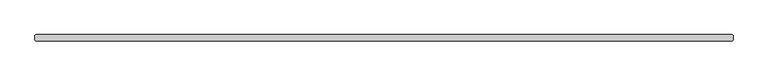
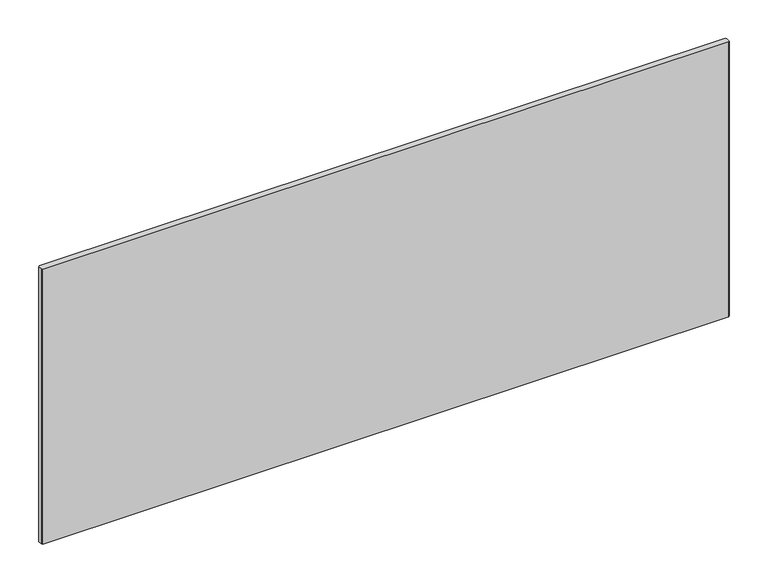
"""IFC4 building model written with IfcOpenShell, lengths in millimetres: plate geometry."""

from ifc_helpers import new_model, si_unit, origin, origin_with_axes, place, context, project, spatial, polyline, outline, extrude, source, transform, mapped, element, save


def plate_a056165e(model_context):
    return source(origin(), model_context, "Body", "SweptSolid", [
        extrude(outline(polyline([(520.8175622, -34.925), (-520.8175622, -34.925), (-522.4050622, -33.3375), (-522.4050622, -26.9875), (-520.8175622, -25.4), (520.8175622, -25.4), (522.4050622, -26.9875), (522.4050622, -33.3375), (520.8175622, -34.925)])), origin_with_axes(), (0.0, 0.0, 1.0), 441.2289267),
    ])


if __name__ == "__main__":
    model = new_model("IFC4")
    model_context = context("Model", 3, world=origin())
    ifc_project = project(units=[si_unit("LENGTHUNIT", "METRE", prefix="MILLI")], contexts=[model_context])
    site = spatial("IfcSite", under=ifc_project)
    building = spatial("IfcBuilding", under=site)
    placement = place(None, origin())
    plate_shape = plate_a056165e(model_context)
    element("IfcPlate", 1, at=placement, inside=building, context=model_context, shape_type="MappedRepresentation", body=[
        mapped(plate_shape, transform((0.0, 0.0, 0.0), x_axis=(1.0, 0.0, 0.0), y_axis=(0.0, 1.0, 0.0), z_axis=(0.0, 0.0, 1.0))),
    ])
    save(model, "model.ifc")
